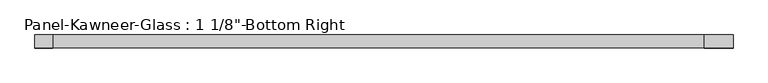
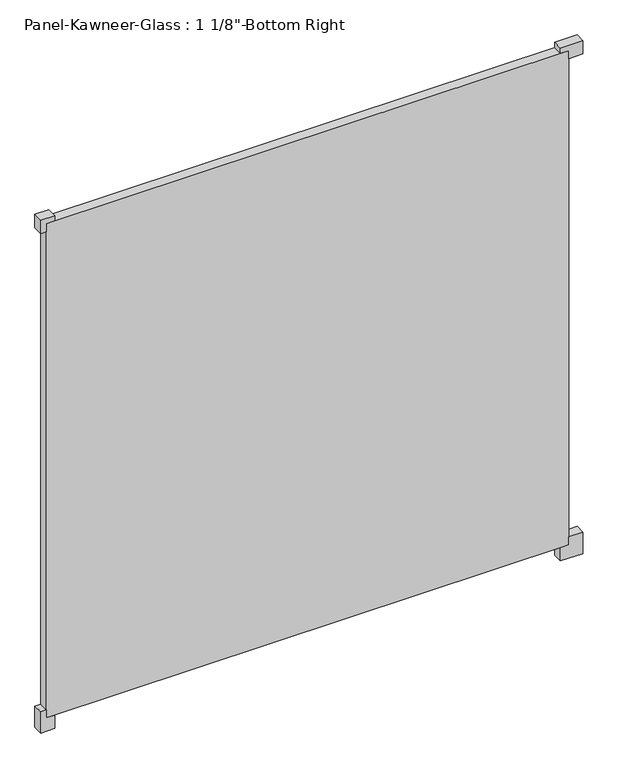
"""IFC4 building model written with IfcOpenShell, lengths in millimetres: plate geometry."""

from ifc_helpers import new_model, si_unit, frame, origin, origin_with_axes, place, context, project, spatial, polyline, outline, extrude, source, transform, mapped, element, save


def plate_9f9edb5f(model_context):
    return source(origin(), model_context, "Body", "SweptSolid", [
        extrude(outline(polyline([(-39.6875, 714.375), (-39.6875, 777.875), (23.8125, 777.875), (23.8125, 738.1875), (0.0, 738.1875), (0.0, 714.375), (-39.6875, 714.375)])), frame((0.0, -14.2210761, 0.0), z_axis=(0.0, 1.0, 0.0), x_axis=(0.0, 0.0, 1.0)), (0.0, 0.0, 1.0), 28.575),
        extrude(outline(polyline([(-39.6875, -714.375), (0.0, -714.375), (0.0, -738.1875), (23.8125, -738.1875), (23.8125, -754.0625), (-39.6875, -754.0625), (-39.6875, -714.375)])), frame((0.0, -14.2210761, 0.0), z_axis=(0.0, 1.0, 0.0), x_axis=(0.0, 0.0, 1.0)), (0.0, 0.0, 1.0), 28.575),
        extrude(outline(polyline([(1492.25, 714.375), (1476.375, 714.375), (1476.375, 738.1875), (1452.5625, 738.1875), (1452.5625, 777.875), (1492.25, 777.875), (1492.25, 714.375)])), frame((0.0, -14.2210761, 0.0), z_axis=(0.0, 1.0, 0.0), x_axis=(0.0, 0.0, 1.0)), (0.0, 0.0, 1.0), 28.575),
        extrude(outline(polyline([(1492.25, -714.375), (1492.25, -754.0625), (1452.5625, -754.0625), (1452.5625, -738.1875), (1476.375, -738.1875), (1476.375, -714.375), (1492.25, -714.375)])), frame((0.0, -14.2210761, 0.0), z_axis=(0.0, 1.0, 0.0), x_axis=(0.0, 0.0, 1.0)), (0.0, 0.0, 1.0), 28.575),
        extrude(outline(polyline([(738.1875, 14.3539239), (738.1875, -14.2210761), (-738.1875, -14.2210761), (-738.1875, 14.3539239), (738.1875, 14.3539239)])), origin_with_axes(), (0.0, 0.0, 1.0), 1476.375),
    ])


if __name__ == "__main__":
    model = new_model("IFC4")
    model_context = context("Model", 3, world=origin())
    ifc_project = project(units=[si_unit("LENGTHUNIT", "METRE", prefix="MILLI")], contexts=[model_context])
    site = spatial("IfcSite", under=ifc_project)
    building = spatial("IfcBuilding", under=site)
    placement = place(None, origin())
    plate_shape = plate_9f9edb5f(model_context)
    element("IfcPlate", 1, ObjectType="Panel-Kawneer-Glass : 1 1/8\"-Bottom Right", at=placement, inside=building, context=model_context, shape_type="MappedRepresentation", body=[
        mapped(plate_shape, transform((0.0, 0.0, 0.0), x_axis=(1.0, 0.0, 0.0), y_axis=(0.0, 1.0, 0.0), z_axis=(0.0, 0.0, 1.0))),
    ])
    save(model, "model.ifc")
